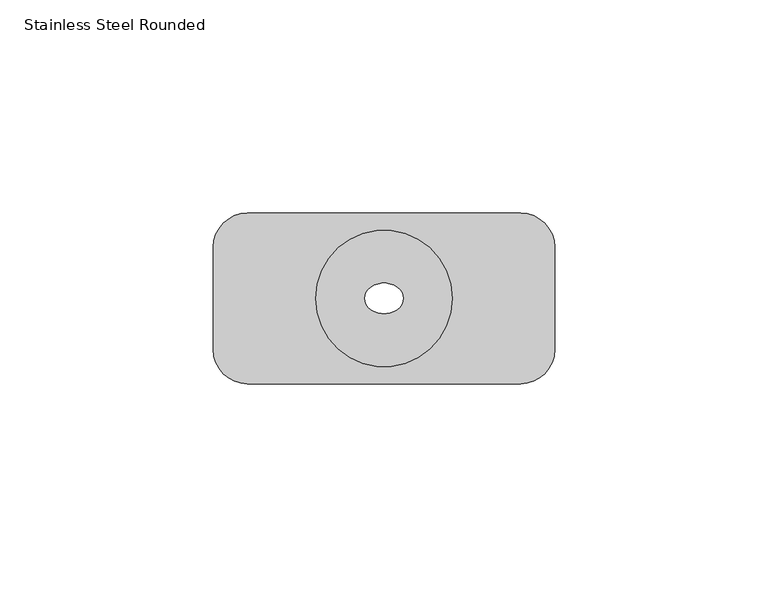
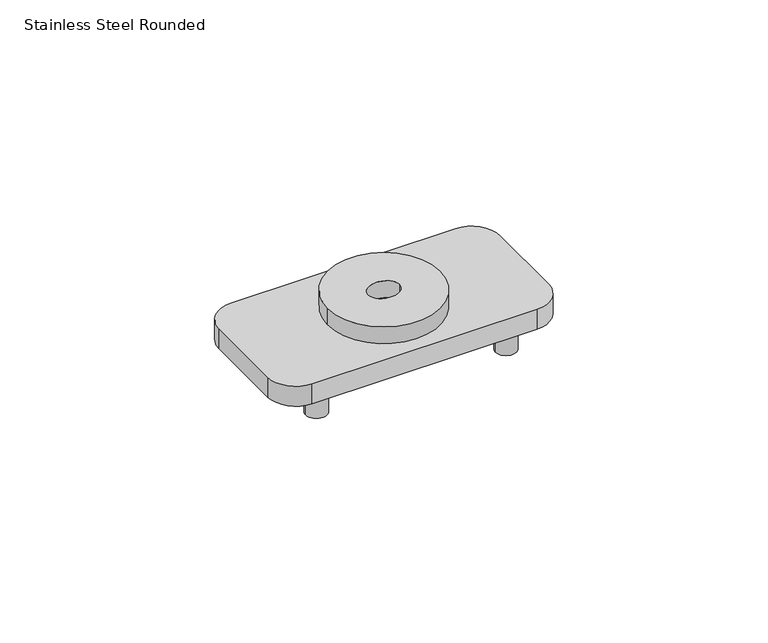
"""IFC4 building model written with IfcOpenShell, lengths in millimetres: proxy geometry, Stainless Steel Rounded."""

from ifc_helpers import new_model, si_unit, point, frame, frame_2d, origin, origin_with_axes, place, context, project, spatial, circle_curve, ellipse_curve, trimmed, segment, composite_curve, outline, extrude, source, transform, mapped, element, save
from ifc_brep_helpers import plane_surface, cylinder_surface, extruded_surface, advanced_brep


def stainless_steel_rounded_4a60bf06(model_context):
    return source(origin(), model_context, "Body", "SolidModel", [
        advanced_brep(
        [(4.495414, 0.0, 0.0), (4.495414, 0.0, 5.0), (-4.495414, 0.0, 5.0), (-4.495414, 0.0, 0.0), (-16.0, 0.0, 5.0), (16.0, 0.0, 5.0), (-16.0, 0.0, 0.0), (16.0, 0.0, 0.0)],
        [
            (0, 1),
            (1, 2, ellipse_curve(frame((0.0, 0.0, 5.0), z_axis=(0.0, 0.0, 1.0), x_axis=(-1.0, 0.0, 0.0)), 4.495414, 3.6)),
            (2, 3),
            (3, 0, ellipse_curve(frame((0.0, 0.0, 0.0), z_axis=(0.0, 0.0, -1.0), x_axis=(-1.0, 0.0, 0.0)), 4.495414, 3.6)),
            (0, 3, ellipse_curve(frame((0.0, 0.0, 0.0), z_axis=(0.0, 0.0, -1.0), x_axis=(-1.0, 0.0, 0.0)), 4.495414, 3.6)),
            (2, 1, ellipse_curve(frame((0.0, 0.0, 5.0), z_axis=(0.0, 0.0, 1.0), x_axis=(-1.0, 0.0, 0.0)), 4.495414, 3.6)),
            (4, 5, circle_curve(frame((0.0, 0.0, 5.0), z_axis=(0.0, 0.0, 1.0), x_axis=(1.0, 0.0, 0.0)), 16.0)),
            (5, 4, circle_curve(frame((0.0, 0.0, 5.0), z_axis=(0.0, 0.0, 1.0), x_axis=(1.0, 0.0, 0.0)), 16.0)),
            (6, 7, circle_curve(frame((0.0, 0.0, 0.0), z_axis=(0.0, 0.0, -1.0), x_axis=(1.0, 0.0, 0.0)), 16.0)),
            (7, 6, circle_curve(frame((0.0, 0.0, 0.0), z_axis=(0.0, 0.0, -1.0), x_axis=(1.0, 0.0, 0.0)), 16.0)),
            (4, 6),
            (7, 5),
        ],
        [
            extruded_surface(trimmed(ellipse_curve(frame((0.0, 0.0, -6.0), z_axis=(0.0, 0.0, 1.0), x_axis=(-1.0, 0.0, 0.0)), 4.495414, 3.6), [point((4.495414, 0.0, -6.0))], [point((-4.495414, 0.0, -6.0))], True, "CARTESIAN"), (0.0, 0.0, -11.0), 11.0),
            extruded_surface(trimmed(ellipse_curve(frame((0.0, 0.0, -6.0), z_axis=(0.0, 0.0, 1.0), x_axis=(-1.0, 0.0, 0.0)), 4.495414, 3.6), [point((-4.495414, 0.0, -6.0))], [point((4.495414, 0.0, -6.0))], True, "CARTESIAN"), (0.0, 0.0, -11.0), 11.0),
            plane_surface(frame((16.0, 0.0, 5.0), z_axis=(0.0, 0.0, 1.0), x_axis=(0.0, 1.0, 0.0))),
            plane_surface(frame((16.0, 0.0, 0.0), z_axis=(0.0, 0.0, -1.0), x_axis=(0.0, -1.0, 0.0))),
            cylinder_surface(origin_with_axes(), 16.0),
        ],
        [
            (0, [[1, 2, 3, 4]]),
            (1, [[-1, 5, -3, 6]]),
            (2, [[7, 8], [-2, -6]]),
            (3, [[9, 10], [-4, -5]]),
            (4, [[-7, 11, -10, 12]]),
            (4, [[-8, -12, -9, -11]]),
        ],
    ),
        advanced_brep(
        [(32.0, -20.0, 0.0), (40.0, -12.0, 0.0), (40.0, 12.0, 0.0), (32.0, 20.0, 0.0), (-32.0, 20.0, 0.0), (-40.0, 12.0, 0.0), (-40.0, -12.0, 0.0), (-32.0, -20.0, 0.0), (-4.495414, 0.0, 0.0), (4.495414, 0.0, 0.0), (32.0, -20.0, -6.0), (-32.0, -20.0, -6.0), (-40.0, -12.0, -6.0), (-40.0, 12.0, -6.0), (-32.0, 20.0, -6.0), (32.0, 20.0, -6.0), (40.0, 12.0, -6.0), (40.0, -12.0, -6.0), (4.495414, 0.0, -6.0), (-4.495414, 0.0, -6.0)],
        [
            (0, 1, circle_curve(frame((32.0, -12.0, 0.0), z_axis=(0.0, 0.0, 1.0), x_axis=(1.0, 0.0, 0.0)), 8.0)),
            (1, 2),
            (2, 3, circle_curve(frame((32.0, 12.0, 0.0), z_axis=(0.0, 0.0, 1.0), x_axis=(1.0, 0.0, 0.0)), 8.0)),
            (3, 4),
            (4, 5, circle_curve(frame((-32.0, 12.0, 0.0), z_axis=(0.0, 0.0, 1.0), x_axis=(1.0, 0.0, 0.0)), 8.0)),
            (5, 6),
            (6, 7, circle_curve(frame((-32.0, -12.0, 0.0), z_axis=(0.0, 0.0, 1.0), x_axis=(1.0, 0.0, 0.0)), 8.0)),
            (7, 0),
            (8, 9, ellipse_curve(frame((0.0, 0.0, 0.0), z_axis=(0.0, 0.0, -1.0), x_axis=(-1.0, 0.0, 0.0)), 4.495414, 3.6)),
            (9, 8, ellipse_curve(frame((0.0, 0.0, 0.0), z_axis=(0.0, 0.0, -1.0), x_axis=(-1.0, 0.0, 0.0)), 4.495414, 3.6)),
            (10, 11),
            (11, 12, circle_curve(frame((-32.0, -12.0, -6.0), z_axis=(0.0, 0.0, -1.0), x_axis=(1.0, 0.0, 0.0)), 8.0)),
            (12, 13),
            (13, 14, circle_curve(frame((-32.0, 12.0, -6.0), z_axis=(0.0, 0.0, -1.0), x_axis=(1.0, 0.0, 0.0)), 8.0)),
            (14, 15),
            (15, 16, circle_curve(frame((32.0, 12.0, -6.0), z_axis=(0.0, 0.0, -1.0), x_axis=(1.0, 0.0, 0.0)), 8.0)),
            (16, 17),
            (17, 10, circle_curve(frame((32.0, -12.0, -6.0), z_axis=(0.0, 0.0, -1.0), x_axis=(1.0, 0.0, 0.0)), 8.0)),
            (18, 19, ellipse_curve(frame((0.0, 0.0, -6.0), z_axis=(0.0, 0.0, 1.0), x_axis=(-1.0, 0.0, 0.0)), 4.495414, 3.6)),
            (19, 18, ellipse_curve(frame((0.0, 0.0, -6.0), z_axis=(0.0, 0.0, 1.0), x_axis=(-1.0, 0.0, 0.0)), 4.495414, 3.6)),
            (3, 15),
            (14, 4),
            (7, 11),
            (10, 0),
            (1, 17),
            (16, 2),
            (5, 13),
            (12, 6),
            (18, 9),
            (8, 19),
        ],
        [
            plane_surface(frame((40.0, -12.0, 0.0), z_axis=(0.0, 0.0, 1.0), x_axis=(0.0, 1.0, 0.0))),
            plane_surface(frame((40.0, -12.0, -6.0), z_axis=(0.0, 0.0, -1.0), x_axis=(0.0, -1.0, 0.0))),
            plane_surface(frame((32.0, 20.0, 0.0), z_axis=(0.0, 1.0, 0.0), x_axis=(0.0, 0.0, -1.0))),
            plane_surface(frame((-32.0, -20.0, 0.0), z_axis=(0.0, -1.0, 0.0), x_axis=(0.0, 0.0, -1.0))),
            plane_surface(frame((40.0, -12.0, 0.0), z_axis=(1.0, 0.0, 0.0), x_axis=(0.0, 0.0, -1.0))),
            plane_surface(frame((-40.0, 12.0, 0.0), z_axis=(-1.0, 0.0, 0.0), x_axis=(0.0, 0.0, -1.0))),
            cylinder_surface(frame((32.0, -12.0, -6.0), z_axis=(0.0, 0.0, 1.0), x_axis=(1.0, 0.0, 0.0)), 8.0),
            cylinder_surface(frame((32.0, 12.0, -6.0), z_axis=(0.0, 0.0, 1.0), x_axis=(1.0, 0.0, 0.0)), 8.0),
            cylinder_surface(frame((-32.0, 12.0, -6.0), z_axis=(0.0, 0.0, 1.0), x_axis=(1.0, 0.0, 0.0)), 8.0),
            cylinder_surface(frame((-32.0, -12.0, -6.0), z_axis=(0.0, 0.0, 1.0), x_axis=(1.0, 0.0, 0.0)), 8.0),
            extruded_surface(trimmed(ellipse_curve(frame((0.0, 0.0, -6.0), z_axis=(0.0, 0.0, 1.0), x_axis=(-1.0, 0.0, 0.0)), 4.495414, 3.6), [point((4.495414, 0.0, -6.0))], [point((-4.495414, 0.0, -6.0))], True, "CARTESIAN"), (0.0, 0.0, -11.0), 11.0),
            extruded_surface(trimmed(ellipse_curve(frame((0.0, 0.0, -6.0), z_axis=(0.0, 0.0, 1.0), x_axis=(-1.0, 0.0, 0.0)), 4.495414, 3.6), [point((-4.495414, 0.0, -6.0))], [point((4.495414, 0.0, -6.0))], True, "CARTESIAN"), (0.0, 0.0, -11.0), 11.0),
        ],
        [
            (0, [[1, 2, 3, 4, 5, 6, 7, 8], [9, 10]]),
            (1, [[11, 12, 13, 14, 15, 16, 17, 18], [19, 20]]),
            (2, [[-4, 21, -15, 22]]),
            (3, [[-8, 23, -11, 24]]),
            (4, [[-2, 25, -17, 26]]),
            (5, [[-6, 27, -13, 28]]),
            (6, [[-1, -24, -18, -25]]),
            (7, [[-3, -26, -16, -21]]),
            (8, [[-5, -22, -14, -27]]),
            (9, [[-7, -28, -12, -23]]),
            (10, [[29, -9, 30, -19]]),
            (11, [[-29, -20, -30, -10]]),
        ],
    ),
        extrude(outline(composite_curve([segment(trimmed(circle_curve(frame_2d((-27.0, 13.5)), 3.0), [point((-30.0, 13.5))], [point((-24.0, 13.5))], False, "CARTESIAN"), True, "CONTINUOUS"), segment(trimmed(circle_curve(frame_2d((-27.0, 13.5)), 3.0), [point((-24.0, 13.5))], [point((-30.0, 13.5))], False, "CARTESIAN"), True, "CONTINUOUS")], self_intersect=False)), frame((0.0, 0.0, -14.0), z_axis=(0.0, 0.0, 1.0), x_axis=(1.0, 0.0, 0.0)), (0.0, 0.0, 1.0), 8.0),
        extrude(outline(composite_curve([segment(trimmed(circle_curve(frame_2d((-27.0, -13.5)), 3.0), [point((-30.0, -13.5))], [point((-24.0, -13.5))], False, "CARTESIAN"), True, "CONTINUOUS"), segment(trimmed(circle_curve(frame_2d((-27.0, -13.5)), 3.0), [point((-24.0, -13.5))], [point((-30.0, -13.5))], False, "CARTESIAN"), True, "CONTINUOUS")], self_intersect=False)), frame((0.0, 0.0, -14.0), z_axis=(0.0, 0.0, 1.0), x_axis=(1.0, 0.0, 0.0)), (0.0, 0.0, 1.0), 8.0),
        extrude(outline(composite_curve([segment(trimmed(circle_curve(frame_2d((27.0, 13.5)), 3.0), [point((24.0, 13.5))], [point((30.0, 13.5))], False, "CARTESIAN"), True, "CONTINUOUS"), segment(trimmed(circle_curve(frame_2d((27.0, 13.5)), 3.0), [point((30.0, 13.5))], [point((24.0, 13.5))], False, "CARTESIAN"), True, "CONTINUOUS")], self_intersect=False)), frame((0.0, 0.0, -14.0), z_axis=(0.0, 0.0, 1.0), x_axis=(1.0, 0.0, 0.0)), (0.0, 0.0, 1.0), 8.0),
        extrude(outline(composite_curve([segment(trimmed(circle_curve(frame_2d((27.0, -13.5)), 3.0), [point((24.0, -13.5))], [point((30.0, -13.5))], False, "CARTESIAN"), True, "CONTINUOUS"), segment(trimmed(circle_curve(frame_2d((27.0, -13.5)), 3.0), [point((30.0, -13.5))], [point((24.0, -13.5))], False, "CARTESIAN"), True, "CONTINUOUS")], self_intersect=False)), frame((0.0, 0.0, -14.0), z_axis=(0.0, 0.0, 1.0), x_axis=(1.0, 0.0, 0.0)), (0.0, 0.0, 1.0), 8.0),
    ])


if __name__ == "__main__":
    model = new_model("IFC4")
    model_context = context("Model", 3, world=origin())
    ifc_project = project(units=[si_unit("LENGTHUNIT", "METRE", prefix="MILLI")], contexts=[model_context])
    site = spatial("IfcSite", under=ifc_project)
    building = spatial("IfcBuilding", under=site)
    placement = place(None, origin())
    stainless_steel_rounded_shape = stainless_steel_rounded_4a60bf06(model_context)
    element("IfcBuildingElementProxy", 1, Name="Stainless Steel Rounded", ObjectType="Stainless Steel Rounded", at=placement, inside=building, context=model_context, shape_type="MappedRepresentation", body=[
        mapped(stainless_steel_rounded_shape, transform((0.0, 0.0, 0.0), x_axis=(1.0, 0.0, 0.0), y_axis=(0.0, 1.0, 0.0), z_axis=(0.0, 0.0, 1.0))),
    ])
    save(model, "model.ifc")
